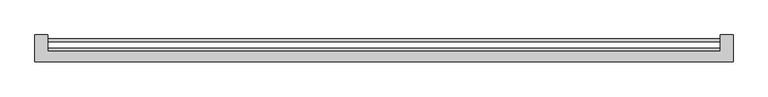
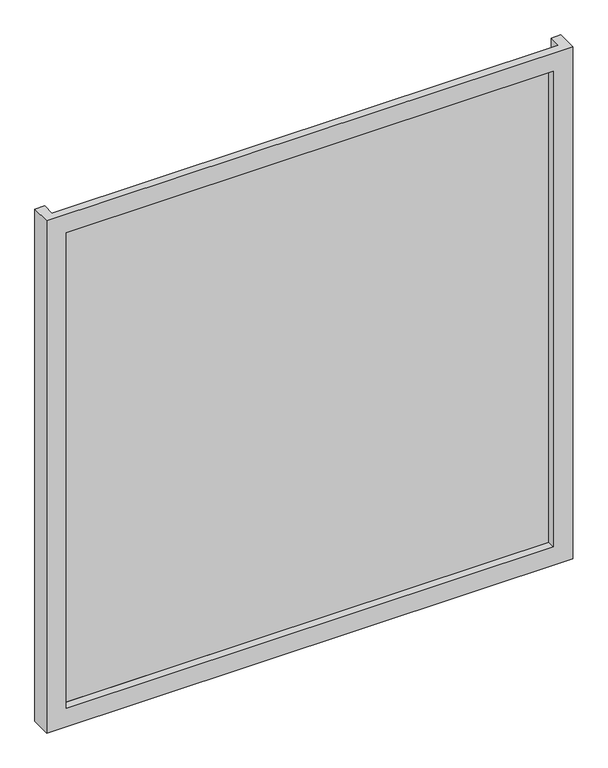
"""IFC4 building model written with IfcOpenShell, lengths in millimetres: plate geometry."""

from ifc_helpers import new_model, si_unit, origin, origin_with_axes, place, context, project, spatial, polyline, outline, extrude, faceted_brep, source, transform, mapped, element, save


def plate_9a74dd28(model_context):
    return source(origin(), model_context, "Body", "SolidModel", [
        faceted_brep([(675.0, -51.0, -50.0), (675.0, -103.0, -50.0), (-675.0, -103.0, -50.0), (-675.0, -51.0, -50.0), (-650.0, -51.0, -50.0), (-650.0, -83.0, -50.0), (650.0, -83.0, -50.0), (650.0, -51.0, -50.0), (625.0, -103.0, 0.0), (625.0, -83.0, 0.0), (-625.0, -83.0, 0.0), (-625.0, -103.0, 0.0), (675.0, -103.0, 1340.0), (-675.0, -103.0, 1340.0), (-625.0, -103.0, 1290.0), (625.0, -103.0, 1290.0), (-650.0, -83.0, 1340.0), (650.0, -83.0, 1340.0), (625.0, -83.0, 1290.0), (-625.0, -83.0, 1290.0), (675.0, -51.0, 1340.0), (650.0, -51.0, 1340.0), (-650.0, -51.0, 1340.0), (-675.0, -51.0, 1340.0)], [[[0, 1, 2, 3, 4, 5, 6, 7]], [[8, 9, 10, 11]], [[12, 13, 2, 1], [11, 14, 15, 8]], [[16, 17, 6, 5], [9, 18, 19, 10]], [[20, 21, 17, 16, 22, 23, 13, 12]], [[20, 0, 7, 21]], [[21, 7, 6, 17]], [[8, 15, 18, 9]], [[12, 1, 0, 20]], [[22, 4, 3, 23]], [[16, 5, 4, 22]], [[10, 19, 14, 11]], [[23, 3, 2, 13]], [[18, 15, 14, 19]]]),
        extrude(outline(polyline([(650.0, -77.0), (650.0, -83.0), (-650.0, -83.0), (-650.0, -77.0), (650.0, -77.0)])), origin_with_axes(), (0.0, 0.0, 1.0), 1290.0),
        extrude(outline(polyline([(650.0, -64.4), (-650.0, -64.4), (-650.0, -58.0), (650.0, -58.0), (650.0, -64.4)])), origin_with_axes(), (0.0, 0.0, 1.0), 1290.0),
    ])


if __name__ == "__main__":
    model = new_model("IFC4")
    model_context = context("Model", 3, world=origin())
    ifc_project = project(units=[si_unit("LENGTHUNIT", "METRE", prefix="MILLI")], contexts=[model_context])
    site = spatial("IfcSite", under=ifc_project)
    building = spatial("IfcBuilding", under=site)
    placement = place(None, origin())
    plate_shape = plate_9a74dd28(model_context)
    element("IfcPlate", 1, at=placement, inside=building, context=model_context, shape_type="MappedRepresentation", body=[
        mapped(plate_shape, transform((0.0, 0.0, 0.0), x_axis=(1.0, 0.0, 0.0), y_axis=(0.0, 1.0, 0.0), z_axis=(0.0, 0.0, 1.0))),
    ])
    save(model, "model.ifc")
